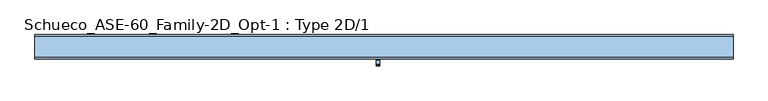
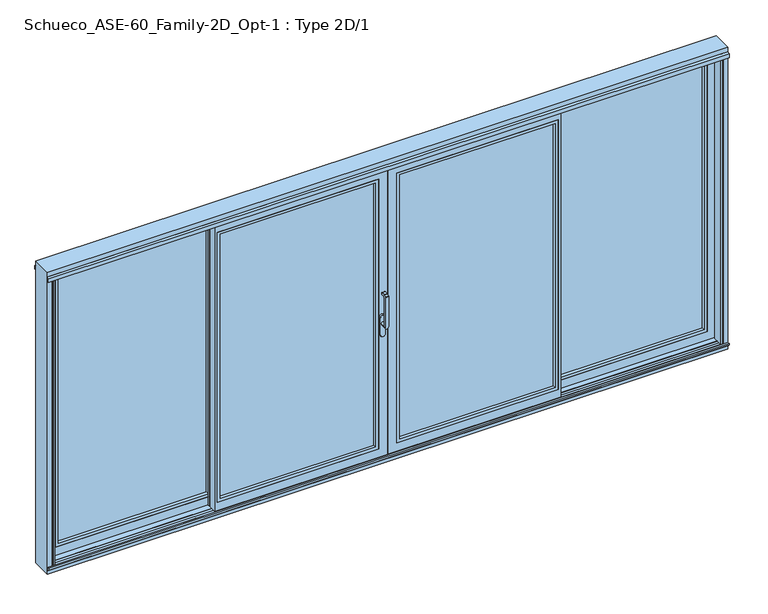
"""IFC4 building model written with IfcOpenShell, lengths in millimetres: window geometry, Schueco_ASE-60_Family-2D_Opt-1 : Type 2D/1."""

from ifc_helpers import new_model, si_unit, point, frame, frame_2d, origin, origin_with_axes, place, context, project, spatial, polyline, circle_curve, trimmed, segment, composite_curve, outline, extrude, faceted_brep, source, transform, mapped, element, save
from ifc_brep_helpers import plane_surface, cylinder_surface, revolved_surface, advanced_brep


def schueco_ase_60_family_2d_opt_1_type_2d_1_2a0700d9(model_context):
    return source(origin(), model_context, "Body", "SolidModel", [
        advanced_brep(
        [(-30.25, -121.9999695, 999.0), (-30.25, -121.9999695, 1224.2360009), (-54.25, -121.9999695, 1224.2360009), (-54.25, -121.9999695, 999.0), (-30.25, -73.9999695, 999.005052), (-54.25, -73.9999695, 999.005052), (-54.25, -109.9999695, 999.005052), (-30.25, -109.9999695, 999.005052), (-54.25, -121.414183, 1225.6502145), (-54.25, -110.6501229, 1236.4142746), (-54.25, -109.2359094, 1237.000061), (-54.25, -81.9999695, 1237.000061), (-54.25, -79.9999695, 1235.000061), (-54.25, -79.9999695, 1224.000061), (-54.25, -81.9999695, 1222.000061), (-54.25, -102.6493095, 1222.000061), (-54.25, -109.9999695, 1214.6494011), (-30.25, -109.9999695, 1214.6494011), (-30.25, -102.6493095, 1222.000061), (-30.25, -81.9999695, 1222.000061), (-30.25, -79.9999695, 1224.000061), (-30.25, -79.9999695, 1235.000061), (-30.25, -81.9999695, 1237.000061), (-30.25, -109.2359094, 1237.000061), (-30.25, -110.6501229, 1236.4142746), (-30.25, -121.414183, 1225.6502145)],
        [
            (0, 1),
            (1, 2),
            (2, 3),
            (3, 0, circle_curve(frame((-42.25, -121.9999695, 999.005052), z_axis=(0.0, -1.0, 0.0), x_axis=(-1.0000000000000009, 0.0, 0.0)), 12.0)),
            (4, 5, circle_curve(frame((-42.25, -73.9999695, 999.005052), z_axis=(0.0, 1.0, 0.0), x_axis=(-1.0000000000000009, 0.0, 0.0)), 12.0)),
            (5, 4, circle_curve(frame((-42.25, -73.9999695, 999.005052), z_axis=(0.0, 1.0, 0.0), x_axis=(-1.0000000000000009, 0.0, 0.0)), 12.0)),
            (3, 6),
            (6, 5),
            (4, 7),
            (7, 0),
            (6, 7, circle_curve(frame((-42.25, -109.9999695, 999.005052), z_axis=(0.0, 1.0, 0.0), x_axis=(-1.0000000000000009, 0.0, 0.0)), 12.0)),
            (2, 8, circle_curve(frame((-54.25, -119.9999695, 1224.2360009), z_axis=(-1.0, 0.0, 0.0), x_axis=(0.0, 0.0, -1.0)), 2.0)),
            (8, 9),
            (9, 10, circle_curve(frame((-54.25, -109.2359094, 1235.000061), z_axis=(-1.0, 0.0, 0.0), x_axis=(0.0, 0.0, -1.0)), 2.0)),
            (10, 11),
            (11, 12, circle_curve(frame((-54.25, -81.9999695, 1235.000061), z_axis=(-1.0, 0.0, 0.0), x_axis=(0.0, 0.0, -1.0)), 2.0)),
            (12, 13),
            (13, 14, circle_curve(frame((-54.25, -81.9999695, 1224.000061), z_axis=(-1.0, 0.0, 0.0), x_axis=(0.0, 0.0, -1.0)), 2.0)),
            (14, 15),
            (15, 16, circle_curve(frame((-54.25, -102.6493095, 1214.6494011), z_axis=(1.0, 0.0, 0.0), x_axis=(0.0, 0.0, -1.0)), 7.35066)),
            (16, 6),
            (7, 17),
            (17, 18, circle_curve(frame((-30.25, -102.6493095, 1214.6494011), z_axis=(-1.0, 0.0, 0.0), x_axis=(0.0, 0.0, -1.0)), 7.35066)),
            (18, 19),
            (19, 20, circle_curve(frame((-30.25, -81.9999695, 1224.000061), z_axis=(1.0, 0.0, 0.0), x_axis=(0.0, 0.0, -1.0)), 2.0)),
            (20, 21),
            (21, 22, circle_curve(frame((-30.25, -81.9999695, 1235.000061), z_axis=(1.0, 0.0, 0.0), x_axis=(0.0, 0.0, -1.0)), 2.0)),
            (22, 23),
            (23, 24, circle_curve(frame((-30.25, -109.2359094, 1235.000061), z_axis=(1.0, 0.0, 0.0), x_axis=(0.0, 0.0, -1.0)), 2.0)),
            (24, 25),
            (25, 1, circle_curve(frame((-30.25, -119.9999695, 1224.2360009), z_axis=(1.0, 0.0, 0.0), x_axis=(0.0, 0.0, -1.0)), 2.0)),
            (16, 17),
            (15, 18),
            (14, 19),
            (13, 20),
            (12, 21),
            (11, 22),
            (10, 23),
            (9, 24),
            (8, 25),
        ],
        [
            plane_surface(frame((-54.25, -121.9999695, 999.005052), z_axis=(0.0, -1.0, 0.0), x_axis=(0.0, 0.0, 1.0))),
            plane_surface(frame((-54.25, -73.9999695, 999.005052), z_axis=(0.0, 1.0, 0.0), x_axis=(0.0, 0.0, -1.0))),
            cylinder_surface(frame((-42.25, -73.9999695, 999.005052), z_axis=(0.0, -1.0000000000000009, 0.0), x_axis=(-1.0000000000000009, 0.0, 0.0)), 12.0),
            plane_surface(frame((-54.25, -121.9999695, 1004.7503433), z_axis=(-1.0, 0.0, 0.0), x_axis=(0.0, 0.0, -1.0))),
            plane_surface(frame((-30.25, -121.9999695, 1004.7503433), z_axis=(1.0, 0.0, 0.0), x_axis=(0.0, 0.0, 1.0))),
            plane_surface(frame((-54.25, -109.9999695, 999.0), z_axis=(0.0, 1.0, 0.0), x_axis=(1.0, 0.0, 0.0))),
            revolved_surface(polyline([(-30.25, -102.6493095, 1207.2987411), (-54.25000000000004, -102.6493095, 1207.2987411)]), (-30.25, -102.6493095, 1214.6494011), (1.0000000000000009, 0.0, 0.0)),
            plane_surface(frame((-54.25, -102.6493095, 1222.000061), z_axis=(0.0, 0.0, -1.0), x_axis=(1.0, 0.0, 0.0))),
            cylinder_surface(frame((-30.25, -81.9999695, 1224.000061), z_axis=(-1.0000000000000009, 0.0, 0.0), x_axis=(0.0, 0.0, -1.0)), 2.0),
            plane_surface(frame((-54.25, -79.9999695, 1224.000061), z_axis=(0.0, 1.0, 0.0), x_axis=(1.0, 0.0, 0.0))),
            cylinder_surface(frame((-30.25, -81.9999695, 1235.000061), z_axis=(-1.0000000000000009, 0.0, 0.0), x_axis=(0.0, 0.0, -1.0)), 2.0),
            plane_surface(frame((-54.25, -81.9999695, 1237.000061), z_axis=(0.0, 0.0, 1.0), x_axis=(1.0, 0.0, 0.0))),
            cylinder_surface(frame((-30.25, -109.2359094, 1235.000061), z_axis=(-1.0000000000000009, 0.0, 0.0), x_axis=(0.0, 0.0, -1.0)), 2.0),
            plane_surface(frame((-54.25, -110.6501229, 1236.4142746), z_axis=(0.0, -0.7071067811865419, 0.7071067811865531), x_axis=(1.0, 0.0, 0.0))),
            cylinder_surface(frame((-30.25, -119.9999695, 1224.2360009), z_axis=(-1.0000000000000009, 0.0, 0.0), x_axis=(0.0, 0.0, -1.0)), 2.0),
        ],
        [
            (0, [[1, 2, 3, 4]]),
            (1, [[5, 6]]),
            (2, [[7, 8, -5, 9, 10, -4]]),
            (2, [[-8, 11, -9, -6]]),
            (3, [[12, 13, 14, 15, 16, 17, 18, 19, 20, 21, -7, -3]]),
            (4, [[-1, -10, 22, 23, 24, 25, 26, 27, 28, 29, 30, 31]]),
            (5, [[32, -22, -11, -21]]),
            (6, [[33, -23, -32, -20]]),
            (7, [[34, -24, -33, -19]]),
            (8, [[35, -25, -34, -18]]),
            (9, [[36, -26, -35, -17]]),
            (10, [[37, -27, -36, -16]]),
            (11, [[38, -28, -37, -15]]),
            (12, [[39, -29, -38, -14]]),
            (13, [[40, -30, -39, -13]]),
            (14, [[-2, -31, -40, -12]]),
        ],
    ),
        extrude(outline(composite_curve([segment(polyline([(917.2823932, -25.5), (1044.0099288, -25.5)]), True, "CONTINUOUS"), segment(trimmed(circle_curve(frame_2d((1044.0099288, -42.25)), 16.75), [point((1044.0099288, -25.5))], [point((1044.0099288, -59.0))], False, "CARTESIAN"), True, "CONTINUOUS"), segment(polyline([(1044.0099288, -59.0), (917.2823932, -59.0)]), True, "CONTINUOUS"), segment(trimmed(circle_curve(frame_2d((917.2823932, -42.25)), 16.75), [point((917.2823932, -59.0))], [point((917.2823932, -25.5))], False, "CARTESIAN"), True, "CONTINUOUS")], self_intersect=False)), frame((0.0, -73.9999695, 0.0), z_axis=(0.0, 1.0, 0.0), x_axis=(0.0, 0.0, 1.0)), (0.0, 0.0, 1.0), 13.9999695),
        extrude(outline(polyline([(-1195.0, -2.55e-05), (-1215.0, -2.55e-05), (-1215.0, 15.9999745), (-1195.0, 15.9999745), (-1195.0, -2.55e-05)])), frame((0.0, 0.0, 4.0), z_axis=(0.0, 0.0, 1.0), x_axis=(1.0, 0.0, 0.0)), (0.0, 0.0, 1.0), 2127.0),
        faceted_brep([(-86.0, -2.55e-05, 86.0), (-1175.0, -2.55e-05, 86.0), (-1175.0, -11.0000344, 86.0), (-86.0, -11.0000344, 86.0), (-1197.0, -11.0000344, 64.0), (-1197.0, -60.0, 64.0), (-64.0, -60.0, 64.0), (-64.0, -11.0000344, 64.0), (-3.9982816, -2.55e-05, 4.0), (-3.9982816, -5.4999923, 4.0), (-1175.0, -5.4999923, 4.0), (-1175.0, -11.0000344, 4.0), (-1197.0, -11.0000344, 4.0), (-1197.0, -54.5, 4.0), (-4.0, -54.5, 4.0), (-4.0, -60.0, 4.0), (-1215.0, -60.0, 4.0), (-1215.0, -2.55e-05, 4.0), (-34.0, -54.5, 34.0), (-1197.0, -54.5, 34.0), (-1197.0, -11.0000344, 34.0), (-1175.0, -11.0000344, 34.0), (-1175.0, -5.4999923, 34.0), (-34.0, -5.4999923, 34.0), (-86.0, -2.55e-05, 2049.0), (-86.0, -11.0000344, 2049.0), (-64.0, -11.0000344, 2071.0), (-64.0, -60.0, 2071.0), (-4.0, -60.0, 2131.0), (-4.0, -54.5, 2131.0), (-34.0, -54.5, 2101.0), (-34.0, -5.4999923, 2101.0), (-3.9982816, -5.4999923, 2131.0017184), (-3.9982816, -2.55e-05, 2131.0017184), (-1175.0, -11.0000344, 2049.0), (-1175.0, -2.55e-05, 2049.0), (-1197.0, -60.0, 2071.0), (-1197.0, -11.0000344, 2071.0), (-1215.0, -60.0, 2131.0), (-1197.0, -54.5, 2131.0), (-1197.0, -11.0000344, 2131.0), (-1175.0, -11.0000344, 2131.0), (-1175.0, -5.4999923, 2131.0), (-1215.0, -2.55e-05, 2131.0), (-1175.0, -5.4999923, 2101.0), (-1175.0, -11.0000344, 2101.0), (-1197.0, -11.0000344, 2101.0), (-1197.0, -54.5, 2101.0)], [[[0, 1, 2, 3]], [[4, 5, 6, 7]], [[8, 9, 10, 11, 12, 13, 14, 15, 16, 17]], [[18, 19, 20, 21, 22, 23]], [[24, 0, 3, 25]], [[26, 7, 6, 27]], [[28, 15, 14, 29]], [[30, 18, 23, 31]], [[32, 9, 8, 33]], [[25, 34, 35, 24]], [[27, 36, 37, 26]], [[38, 28, 29, 39, 40, 41, 42, 32, 33, 43]], [[31, 44, 45, 46, 47, 30]], [[43, 17, 16, 38]], [[16, 15, 28, 38], [27, 6, 5, 36]], [[33, 8, 17, 43], [0, 24, 35, 1]], [[35, 34, 2, 1]], [[41, 45, 44, 42]], [[10, 22, 21, 11]], [[26, 37, 4, 7], [3, 2, 34, 25]], [[11, 21, 20, 12]], [[40, 46, 45, 41]], [[37, 36, 5, 4]], [[12, 20, 19, 13]], [[39, 47, 46, 40]], [[14, 13, 19, 18, 30, 47, 39, 29]], [[23, 22, 10, 9, 32, 42, 44, 31]]]),
        extrude(outline(polyline([(64.0, -1197.0), (64.0, -64.0), (2071.0, -64.0), (2071.0, -1197.0), (64.0, -1197.0)]), holes=[polyline([(86.012649, -1174.987351), (2048.987351, -1174.987351), (2048.987351, -86.012649), (86.012649, -86.012649), (86.012649, -1174.987351)])]), frame((0.0, -60.0, 0.0), z_axis=(0.0, 1.0, 0.0), x_axis=(0.0, 0.0, 1.0)), (0.0, 0.0, 1.0), 22.9999656),
        extrude(outline(polyline([(-64.0, -11.0000344), (-64.0, -37.0000344), (-1197.0, -37.0000344), (-1197.0, -11.0000344), (-64.0, -11.0000344)])), frame((0.0, 0.0, 64.0), z_axis=(0.0, 0.0, 1.0), x_axis=(1.0, 0.0, 0.0)), (0.0, 0.0, 1.0), 2007.0),
        extrude(outline(polyline([(1195.0, -2.55e-05), (1195.0, 15.9999745), (1215.0, 15.9999745), (1215.0, -2.55e-05), (1195.0, -2.55e-05)])), frame((0.0, 0.0, 4.0), z_axis=(0.0, 0.0, 1.0), x_axis=(1.0, 0.0, 0.0)), (0.0, 0.0, 1.0), 2127.0),
        faceted_brep([(86.0, -2.55e-05, 86.0), (86.0, -11.0000344, 86.0), (1175.0, -11.0000344, 86.0), (1175.0, -2.55e-05, 86.0), (1197.0, -11.0000344, 64.0), (64.0, -11.0000344, 64.0), (64.0, -60.0, 64.0), (1197.0, -60.0, 64.0), (3.9982816, -2.55e-05, 4.0), (1215.0, -2.55e-05, 4.0), (1215.0, -60.0, 4.0), (4.0, -60.0, 4.0), (4.0, -54.5, 4.0), (1197.0, -54.5, 4.0), (1197.0, -11.0000344, 4.0), (1175.0, -11.0000344, 4.0), (1175.0, -5.4999923, 4.0), (3.9982816, -5.4999923, 4.0), (34.0, -54.5, 34.0), (34.0, -5.4999923, 34.0), (1175.0, -5.4999923, 34.0), (1175.0, -11.0000344, 34.0), (1197.0, -11.0000344, 34.0), (1197.0, -54.5, 34.0), (86.0, -2.55e-05, 2049.0), (86.0, -11.0000344, 2049.0), (64.0, -11.0000344, 2071.0), (64.0, -60.0, 2071.0), (4.0, -60.0, 2131.0), (4.0, -54.5, 2131.0), (34.0, -54.5, 2101.0), (34.0, -5.4999923, 2101.0), (3.9982816, -5.4999923, 2131.0017184), (3.9982816, -2.55e-05, 2131.0017184), (1175.0, -2.55e-05, 2049.0), (1175.0, -11.0000344, 2049.0), (1197.0, -11.0000344, 2071.0), (1197.0, -60.0, 2071.0), (1215.0, -60.0, 2131.0), (1215.0, -2.55e-05, 2131.0), (1175.0, -5.4999923, 2131.0), (1175.0, -11.0000344, 2131.0), (1197.0, -11.0000344, 2131.0), (1197.0, -54.5, 2131.0), (1197.0, -54.5, 2101.0), (1197.0, -11.0000344, 2101.0), (1175.0, -11.0000344, 2101.0), (1175.0, -5.4999923, 2101.0)], [[[0, 1, 2, 3]], [[4, 5, 6, 7]], [[8, 9, 10, 11, 12, 13, 14, 15, 16, 17]], [[18, 19, 20, 21, 22, 23]], [[24, 25, 1, 0]], [[26, 27, 6, 5]], [[28, 29, 12, 11]], [[30, 31, 19, 18]], [[32, 33, 8, 17]], [[25, 24, 34, 35]], [[27, 26, 36, 37]], [[38, 39, 33, 32, 40, 41, 42, 43, 29, 28]], [[31, 30, 44, 45, 46, 47]], [[39, 38, 10, 9]], [[10, 38, 28, 11], [27, 37, 7, 6]], [[33, 39, 9, 8], [0, 3, 34, 24]], [[16, 15, 21, 20]], [[41, 40, 47, 46]], [[34, 3, 2, 35]], [[15, 14, 22, 21]], [[26, 5, 4, 36], [1, 25, 35, 2]], [[42, 41, 46, 45]], [[14, 13, 23, 22]], [[43, 42, 45, 44]], [[36, 4, 7, 37]], [[12, 29, 43, 44, 30, 18, 23, 13]], [[19, 31, 47, 40, 32, 17, 16, 20]]]),
        extrude(outline(polyline([(-12.2016228, -54.5), (-12.2016228, -5.5000255), (34.0, -5.5000255), (34.0, -54.5), (-12.2016228, -54.5)])), frame((0.0, 0.0, 34.0), z_axis=(0.0, 0.0, 1.0), x_axis=(1.0, 0.0, 0.0)), (0.0, 0.0, 1.0), 2067.0),
        extrude(outline(polyline([(64.0, 1197.0), (2071.0, 1197.0), (2071.0, 64.0), (64.0, 64.0), (64.0, 1197.0)]), holes=[polyline([(86.012649, 1174.987351), (86.012649, 86.012649), (2048.987351, 86.012649), (2048.987351, 1174.987351), (86.012649, 1174.987351)])]), frame((0.0, -60.0, 0.0), z_axis=(0.0, 1.0, 0.0), x_axis=(0.0, 0.0, 1.0)), (0.0, 0.0, 1.0), 22.9999656),
        extrude(outline(polyline([(64.0, -11.0000344), (1197.0, -11.0000344), (1197.0, -37.0000344), (64.0, -37.0000344), (64.0, -11.0000344)])), frame((0.0, 0.0, 64.0), z_axis=(0.0, 0.0, 1.0), x_axis=(1.0, 0.0, 0.0)), (0.0, 0.0, 1.0), 2007.0),
        extrude(outline(polyline([(1195.0, 20.0000255), (1195.0, 4.0000255), (1175.0, 4.0000255), (1175.0, 20.0000255), (1195.0, 20.0000255)])), frame((0.0, 0.0, 4.0), z_axis=(0.0, 0.0, 1.0), x_axis=(1.0, 0.0, 0.0)), (0.0, 0.0, 1.0), 2127.0),
        faceted_brep([(1175.0, 20.0000255, 2131.0), (2350.0, 20.0000255, 2131.0), (2350.0, 25.5000255, 2131.0), (1193.0, 25.5000255, 2131.0), (1193.0, 68.9999911, 2131.0), (1215.0, 68.9999911, 2131.0), (1215.0, 74.5000332, 2131.0), (2350.0017184, 74.5000332, 2131.0), (2350.0017184, 80.0, 2131.0), (1175.0, 80.0, 2131.0), (2268.0, 80.0, 86.0), (1215.0, 80.0, 86.0), (1215.0, 68.9999911, 86.0), (2268.0, 68.9999911, 86.0), (1193.0, 68.9999911, 64.0), (1193.0, 20.0000255, 64.0), (2290.0, 20.0000255, 64.0), (2290.0, 68.9999911, 64.0), (2350.0017184, 80.0, 4.0), (2350.0017184, 74.5000332, 4.0), (1215.0, 74.5000332, 4.0), (1215.0, 68.9999911, 4.0), (1193.0, 68.9999911, 4.0), (1193.0, 25.5000255, 4.0), (2350.0, 25.5000255, 4.0), (2350.0, 20.0000255, 4.0), (1175.0, 20.0000255, 4.0), (1175.0, 80.0, 4.0), (2268.0, 68.9999911, 2049.0), (1215.0, 68.9999911, 2049.0), (1215.0, 80.0, 2049.0), (2268.0, 80.0, 2049.0), (2290.0, 20.0000255, 2071.0), (1193.0, 20.0000255, 2071.0), (1193.0, 68.9999911, 2071.0), (2290.0, 68.9999911, 2071.0), (2320.0, 25.5000255, 34.0), (1193.0, 25.5000255, 34.0), (1193.0, 68.9999911, 34.0), (1215.0, 68.9999911, 34.0), (1215.0, 74.5000332, 34.0), (2320.0, 74.5000332, 34.0), (2320.0, 25.5000255, 2101.0), (2320.0, 74.5000332, 2101.0), (1215.0, 74.5000332, 2101.0), (1215.0, 68.9999911, 2101.0), (1193.0, 68.9999911, 2101.0), (1193.0, 25.5000255, 2101.0)], [[[0, 1, 2, 3, 4, 5, 6, 7, 8, 9]], [[10, 11, 12, 13]], [[14, 15, 16, 17]], [[18, 19, 20, 21, 22, 23, 24, 25, 26, 27]], [[1, 25, 24, 2]], [[28, 29, 30, 31]], [[32, 33, 34, 35]], [[36, 37, 38, 39, 40, 41]], [[31, 10, 13, 28]], [[35, 17, 16, 32]], [[42, 36, 41, 43]], [[7, 19, 18, 8]], [[43, 44, 45, 46, 47, 42]], [[9, 27, 26, 0]], [[26, 25, 1, 0], [32, 16, 15, 33]], [[8, 18, 27, 9], [10, 31, 30, 11]], [[30, 29, 12, 11]], [[5, 45, 44, 6]], [[20, 40, 39, 21]], [[35, 34, 14, 17], [13, 12, 29, 28]], [[21, 39, 38, 22]], [[4, 46, 45, 5]], [[34, 33, 15, 14]], [[22, 38, 37, 23]], [[3, 47, 46, 4]], [[24, 23, 37, 36, 42, 47, 3, 2]], [[41, 40, 20, 19, 7, 6, 44, 43]]]),
        extrude(outline(polyline([(64.0, 1193.0), (64.0, 2290.0), (2071.0, 2290.0), (2071.0, 1193.0), (64.0, 1193.0)]), holes=[polyline([(86.012649, 1215.012649), (2048.987351, 1215.012649), (2048.987351, 2267.987351), (86.012649, 2267.987351), (86.012649, 1215.012649)])]), frame((0.0, 20.0000255, 0.0), z_axis=(0.0, 1.0, 0.0), x_axis=(0.0, 0.0, 1.0)), (0.0, 0.0, 1.0), 22.9999656),
        extrude(outline(polyline([(2290.0, 68.9999911), (2290.0, 42.9999911), (1193.0, 42.9999911), (1193.0, 68.9999911), (2290.0, 68.9999911)])), frame((0.0, 0.0, 64.0), z_axis=(0.0, 0.0, 1.0), x_axis=(1.0, 0.0, 0.0)), (0.0, 0.0, 1.0), 2007.0),
        extrude(outline(polyline([(-1195.0, 20.0000255), (-1175.0, 20.0000255), (-1175.0, 4.0000255), (-1195.0, 4.0000255), (-1195.0, 20.0000255)])), frame((0.0, 0.0, 4.0), z_axis=(0.0, 0.0, 1.0), x_axis=(1.0, 0.0, 0.0)), (0.0, 0.0, 1.0), 2127.0),
        faceted_brep([(-1175.0, 20.0000255, 2131.0), (-1175.0, 80.0, 2131.0), (-2350.0017184, 80.0, 2131.0), (-2350.0017184, 74.5000332, 2131.0), (-1215.0, 74.5000332, 2131.0), (-1215.0, 68.9999911, 2131.0), (-1193.0, 68.9999911, 2131.0), (-1193.0, 25.5000255, 2131.0), (-2350.0, 25.5000255, 2131.0), (-2350.0, 20.0000255, 2131.0), (-2268.0, 80.0, 86.0), (-2268.0, 68.9999911, 86.0), (-1215.0, 68.9999911, 86.0), (-1215.0, 80.0, 86.0), (-1193.0, 68.9999911, 64.0), (-2290.0, 68.9999911, 64.0), (-2290.0, 20.0000255, 64.0), (-1193.0, 20.0000255, 64.0), (-2350.0017184, 80.0, 4.0), (-1175.0, 80.0, 4.0), (-1175.0, 20.0000255, 4.0), (-2350.0, 20.0000255, 4.0), (-2350.0, 25.5000255, 4.0), (-1193.0, 25.5000255, 4.0), (-1193.0, 68.9999911, 4.0), (-1215.0, 68.9999911, 4.0), (-1215.0, 74.5000332, 4.0), (-2350.0017184, 74.5000332, 4.0), (-2268.0, 68.9999911, 2049.0), (-2268.0, 80.0, 2049.0), (-1215.0, 80.0, 2049.0), (-1215.0, 68.9999911, 2049.0), (-2290.0, 20.0000255, 2071.0), (-2290.0, 68.9999911, 2071.0), (-1193.0, 68.9999911, 2071.0), (-1193.0, 20.0000255, 2071.0), (-2320.0, 25.5000255, 34.0), (-2320.0, 74.5000332, 34.0), (-1215.0, 74.5000332, 34.0), (-1215.0, 68.9999911, 34.0), (-1193.0, 68.9999911, 34.0), (-1193.0, 25.5000255, 34.0), (-2320.0, 25.5000255, 2101.0), (-2320.0, 74.5000332, 2101.0), (-1193.0, 25.5000255, 2101.0), (-1193.0, 68.9999911, 2101.0), (-1215.0, 68.9999911, 2101.0), (-1215.0, 74.5000332, 2101.0)], [[[0, 1, 2, 3, 4, 5, 6, 7, 8, 9]], [[10, 11, 12, 13]], [[14, 15, 16, 17]], [[18, 19, 20, 21, 22, 23, 24, 25, 26, 27]], [[9, 8, 22, 21]], [[28, 29, 30, 31]], [[32, 33, 34, 35]], [[36, 37, 38, 39, 40, 41]], [[29, 28, 11, 10]], [[33, 32, 16, 15]], [[42, 43, 37, 36]], [[3, 2, 18, 27]], [[43, 42, 44, 45, 46, 47]], [[1, 0, 20, 19]], [[20, 0, 9, 21], [32, 35, 17, 16]], [[2, 1, 19, 18], [10, 13, 30, 29]], [[5, 4, 47, 46]], [[26, 25, 39, 38]], [[30, 13, 12, 31]], [[6, 5, 46, 45]], [[25, 24, 40, 39]], [[33, 15, 14, 34], [11, 28, 31, 12]], [[7, 6, 45, 44]], [[24, 23, 41, 40]], [[34, 14, 17, 35]], [[22, 8, 7, 44, 42, 36, 41, 23]], [[37, 43, 47, 4, 3, 27, 26, 38]]]),
        extrude(outline(polyline([(64.0, -1193.0), (2071.0, -1193.0), (2071.0, -2290.0), (64.0, -2290.0), (64.0, -1193.0)]), holes=[polyline([(86.012649, -1215.012649), (86.012649, -2267.987351), (2048.987351, -2267.987351), (2048.987351, -1215.012649), (86.012649, -1215.012649)])]), frame((0.0, 20.0000255, 0.0), z_axis=(0.0, 1.0, 0.0), x_axis=(0.0, 0.0, 1.0)), (0.0, 0.0, 1.0), 22.9999656),
        extrude(outline(polyline([(-2290.0, 68.9999911), (-1193.0, 68.9999911), (-1193.0, 42.9999911), (-2290.0, 42.9999911), (-2290.0, 68.9999911)])), frame((0.0, 0.0, 64.0), z_axis=(0.0, 0.0, 1.0), x_axis=(1.0, 0.0, 0.0)), (0.0, 0.0, 1.0), 2007.0),
        extrude(outline(polyline([(-2339.0, 15.0), (-2339.0, -60.0), (-2350.0, -60.0), (-2350.0, -51.2), (-2342.0, -48.2882381), (-2342.0, 11.0), (-2358.0007202, 11.0), (-2358.0007202, 15.0), (-2339.0, 15.0)])), origin_with_axes(), (0.0, 0.0, 1.0), 2157.5),
        extrude(outline(polyline([(2339.0, 15.0), (2358.0007202, 15.0), (2358.0007202, 11.0), (2342.0, 11.0), (2342.0, -48.2882381), (2350.0, -51.2), (2350.0, -60.0), (2339.0, -60.0), (2339.0, 15.0)])), origin_with_axes(), (0.0, 0.0, 1.0), 2157.5),
        faceted_brep([(2390.0, 80.0, -51.0), (2390.0, -60.0, -51.0), (-2390.0, -60.0, -51.0), (-2390.0, 80.0, -51.0), (2390.0, 80.0, 2190.0), (2390.0, -60.0, 2190.0), (-2390.0, -60.0, 2190.0), (-2358.0, -60.0, -19.0), (-2358.0, -60.0, 2157.5), (2358.0, -60.0, 2157.5), (2358.0, -60.0, -19.0), (-2390.0, 80.0, 2190.0), (-2358.0, -51.2000255, -19.0), (-2358.0, -51.2000255, 2157.5), (2358.0, -51.2000255, 2157.5), (2358.0, -51.2000255, -19.0), (2342.0, -11.7120495, -3.0), (2342.0, -48.2882636, -3.0), (2342.0, -48.2882636, 2122.0), (2342.0, -11.7120495, 2122.0), (2342.0, -11.7120495, 2155.2007202), (2342.0, -11.7120495, 2130.9120495), (2342.0, -15.8, 2135.0), (2342.0, -15.8, 2155.2007202), (2342.0, -48.2882636, 2130.9117364), (2342.0, -48.2882636, 2142.0), (2342.0, -44.2, 2142.0), (2342.0, -44.2, 2135.0), (-2342.0, -11.7120243, -3.0), (-2342.0, -48.2882384, -3.0), (2350.0, -51.2000255, -11.00007), (2350.0, -51.2000255, 2150.0), (2346.7029571, -50.0, 2129.2), (2346.7029571, -50.0, 2122.0), (2350.0007202, -8.8000255, -11.0006502), (2346.7038173, -10.0, 2122.0), (2346.7038173, -10.0, 2129.2), (2350.0007202, -8.8000255, 2155.2007202), (-2350.0, -51.2000255, -11.00007), (-2350.0, -51.2000255, 2150.0), (-2341.9999997, -48.2882635, 2122.0), (-2346.7029571, -50.0, 2122.0), (-2346.7029571, -50.0, 2129.2), (-2341.9999996, -48.2882635, 2130.9117365), (-2341.9999998, -48.2882635, 2142.0), (-2350.0007202, -8.8000255, -11.0006502), (2358.0007202, -8.8000255, 2155.2007202), (2358.0007202, -8.8000255, -19.0007202), (-2358.0007202, -8.8000255, -19.0007202), (-2358.0007202, -8.8000255, 2155.2007202), (-2350.0007202, -8.8000255, 2155.2007202), (2358.0007202, 28.7999745, -19.0007202), (2358.0007202, 28.7999745, 2155.2007202), (-2358.0007202, 28.7999745, -19.0007202), (-2358.0007202, 28.7999745, 2155.2007202), (-2342.0000001, -11.7120494, 2155.2007202), (-2342.0000002, -11.7120494, 2130.9120494), (-2346.7038173, -10.0, 2129.2), (-2346.7038173, -10.0, 2122.0), (-2342.0000003, -11.7120494, 2122.0), (2350.0007202, 28.7999745, -11.0007902), (-2350.0007202, 28.7999745, -11.0007902), (-2350.0007202, 28.7999745, 2155.2007202), (2350.0007202, 28.7999745, 2155.2007202), (2341.9999672, 31.7120105, -3.0000372), (-2341.9999307, 31.712024, -3.0000001), (-2341.9999979, 31.7119993, 2122.0), (-2346.7036773, 30.0, 2122.0), (-2346.7036773, 30.0, 2129.2), (-2341.9999981, 31.7119992, 2130.9119992), (-2341.9999989, 31.7119989, 2155.2007202), (2342.0, 31.7119985, 2155.2007202), (2342.0, 31.7119985, 2130.9119985), (2346.7036773, 30.0, 2129.2), (2346.7036773, 30.0, 2122.0), (2342.0, 31.7119985, 2122.0), (2342.0, 35.8, 2155.2007202), (2342.0, 35.8, 2135.0), (2342.0, 68.2882381, -3.0), (2342.0, 68.2882381, 2122.0), (2342.0, 68.2882381, 2142.0), (2342.0, 68.2882381, 2130.9117619), (2342.0, 64.2, 2135.0), (2342.0, 64.2, 2142.0), (-2342.0, 68.2882381, -3.0), (2350.0, 71.2, -11.0), (2346.7030271, 70.0, 2122.0), (2346.7030271, 70.0, 2129.2), (2350.0, 71.2, 2150.0), (-2350.0, 71.2, -11.0), (2358.0, 71.2, -19.0), (-2358.0, 71.2, -19.0), (-2358.0, 71.2, 2157.5), (2358.0, 71.2, 2157.5), (-2350.0, 71.2, 2150.0), (-2342.0, 68.2882381, 2142.0), (-2342.0, 68.2882381, 2130.9117619), (-2346.7030271, 70.0, 2129.2), (-2346.7030271, 70.0, 2122.0), (-2342.0, 68.2882381, 2122.0), (2358.0, 80.0, -19.0), (-2358.0, 80.0, -19.0), (-2358.0, 80.0, 2157.5), (2358.0, 80.0, 2157.5), (-2342.0, 64.2, 2142.0), (-2342.0, 64.2, 2135.0), (-2342.0, 35.8, 2135.0), (-2342.0, 35.8, 2155.2007202), (-2342.0, -15.8, 2155.2007202), (-2342.0, -15.8, 2135.0), (-2342.0, -44.2, 2135.0), (-2342.0, -44.2, 2142.0)], [[[0, 1, 2, 3]], [[0, 4, 5, 1]], [[5, 6, 2, 1], [7, 8, 9, 10]], [[11, 3, 2, 6]], [[7, 12, 13, 8]], [[14, 15, 10, 9]], [[10, 15, 12, 7]], [[16, 17, 18, 19]], [[20, 21, 22, 23]], [[24, 25, 26, 27]], [[17, 16, 28, 29]], [[17, 30, 31, 25, 24, 32, 33, 18]], [[34, 16, 19, 35, 36, 21, 20, 37]], [[12, 15, 14, 13], [30, 38, 39, 31]], [[30, 17, 29, 38]], [[38, 29, 40, 41, 42, 43, 44, 39]], [[16, 34, 45, 28]], [[45, 34, 37, 46, 47, 48, 49, 50]], [[51, 47, 46, 52]], [[47, 51, 53, 48]], [[48, 53, 54, 49]], [[28, 45, 50, 55, 56, 57, 58, 59]], [[60, 61, 62, 54, 53, 51, 52, 63]], [[60, 64, 65, 61]], [[61, 65, 66, 67, 68, 69, 70, 62]], [[64, 60, 63, 71, 72, 73, 74, 75]], [[72, 71, 76, 77]], [[78, 64, 75, 79]], [[80, 81, 82, 83]], [[64, 78, 84, 65]], [[85, 78, 79, 86, 87, 81, 80, 88]], [[78, 85, 89, 84]], [[90, 91, 92, 93], [89, 85, 88, 94]], [[84, 89, 94, 95, 96, 97, 98, 99]], [[90, 100, 101, 91]], [[92, 91, 101, 102]], [[100, 90, 93, 103]], [[65, 84, 99, 66]], [[96, 95, 104, 105]], [[70, 69, 106, 107]], [[29, 28, 59, 40]], [[56, 55, 108, 109]], [[44, 43, 110, 111]], [[5, 4, 11, 6]], [[9, 8, 13, 14]], [[58, 35, 19, 18, 33, 41, 40, 59]], [[109, 22, 21, 36, 57, 56]], [[108, 23, 22, 109]], [[107, 76, 71, 63, 52, 46, 37, 20, 23, 108, 55, 50, 49, 54, 62, 70]], [[25, 44, 111, 26]], [[110, 27, 26, 111]], [[42, 32, 24, 27, 110, 43]], [[44, 25, 31, 39]], [[41, 33, 32, 42]], [[57, 36, 35, 58]], [[68, 73, 72, 77, 106, 69]], [[67, 74, 73, 68]], [[98, 86, 79, 75, 74, 67, 66, 99]], [[106, 77, 76, 107]], [[105, 82, 81, 87, 97, 96]], [[104, 83, 82, 105]], [[95, 80, 83, 104]], [[97, 87, 86, 98]], [[94, 88, 80, 95]], [[93, 92, 102, 103]], [[11, 4, 0, 3], [100, 103, 102, 101]]]),
        extrude(outline(polyline([(-73.0, -2.0), (-60.0, -2.0), (-60.0, -21.8), (-66.4, -21.8), (-73.0, -15.2), (-73.0, -2.0)])), frame((-2390.0, 0.0, 0.0), z_axis=(1.0, 0.0, 0.0), x_axis=(0.0, 1.0, 0.0)), (0.0, 0.0, 1.0), 4780.0),
        extrude(outline(polyline([(-51.2000255, 2150.5), (-68.5243789, 2150.5), (-71.0000233, 2149.0706861), (-71.0000233, 2121.5), (-72.6000233, 2121.5), (-72.6000233, 2150.225198), (-59.9996967, 2157.5), (-51.2000255, 2157.5), (-51.2000255, 2150.5)])), frame((-2390.0, 0.0, 0.0), z_axis=(1.0, 0.0, 0.0), x_axis=(0.0, 1.0, 0.0)), (0.0, 0.0, 1.0), 4780.0),
        extrude(outline(polyline([(71.2000255, 2150.5), (71.2000255, 2157.5), (79.9996967, 2157.5), (92.6000233, 2150.225198), (92.6000233, 2121.5), (91.0000233, 2121.5), (91.0000233, 2149.0706861), (88.5243789, 2150.5), (71.2000255, 2150.5)])), frame((-2390.0, 0.0, 0.0), z_axis=(1.0, 0.0, 0.0), x_axis=(0.0, 1.0, 0.0)), (0.0, 0.0, 1.0), 4780.0),
        extrude(outline(polyline([(28.7999745, -11.0007902), (28.7999745, -19.0007202), (-8.8000255, -19.0007202), (-8.8000255, -11.0006502), (-11.7120375, -2.9999628), (-18.0, -2.9999628), (-18.0, 0.0), (38.0000255, 0.0), (38.0000255, -3.0), (31.712024, -3.0), (28.7999745, -11.0007902)])), frame((-2358.0007202, 0.0, 0.0), z_axis=(1.0, 0.0, 0.0), x_axis=(0.0, 1.0, 0.0)), (0.0, 0.0, 1.0), 4716.0014404),
        extrude(outline(polyline([(80.0, -11.0), (71.2, -11.0), (68.2882381, -3.0), (62.0000255, -3.0), (62.0000255, 0.0), (80.0, 0.0), (80.0, -11.0)])), frame((-2358.0007202, 0.0, 0.0), z_axis=(1.0, 0.0, 0.0), x_axis=(0.0, 1.0, 0.0)), (0.0, 0.0, 1.0), 4716.0014404),
        extrude(outline(polyline([(-48.2882246, -2.9999628), (-51.2000255, -11.00007), (-51.2000255, -19.0007202), (-60.0, -19.0007202), (-60.0, 0.0), (-42.0, 0.0), (-42.0, -2.9999628), (-48.2882246, -2.9999628)])), frame((-2358.0007202, 0.0, 0.0), z_axis=(1.0, 0.0, 0.0), x_axis=(0.0, 1.0, 0.0)), (0.0, 0.0, 1.0), 4716.0014404),
    ])


if __name__ == "__main__":
    model = new_model("IFC4")
    model_context = context("Model", 3, world=origin())
    ifc_project = project(units=[si_unit("LENGTHUNIT", "METRE", prefix="MILLI")], contexts=[model_context])
    site = spatial("IfcSite", under=ifc_project)
    building = spatial("IfcBuilding", under=site)
    placement = place(None, origin())
    schueco_ase_60_family_2d_opt_1_type_2d_1_shape = schueco_ase_60_family_2d_opt_1_type_2d_1_2a0700d9(model_context)
    element("IfcWindow", 1, ObjectType="Schueco_ASE-60_Family-2D_Opt-1 : Type 2D/1", at=placement, inside=building, context=model_context, shape_type="MappedRepresentation", body=[
        mapped(schueco_ase_60_family_2d_opt_1_type_2d_1_shape, transform((0.0, 0.0, 0.0), x_axis=(1.0, 0.0, 0.0), y_axis=(0.0, 1.0, 0.0), z_axis=(0.0, 0.0, 1.0))),
    ])
    save(model, "model.ifc")
